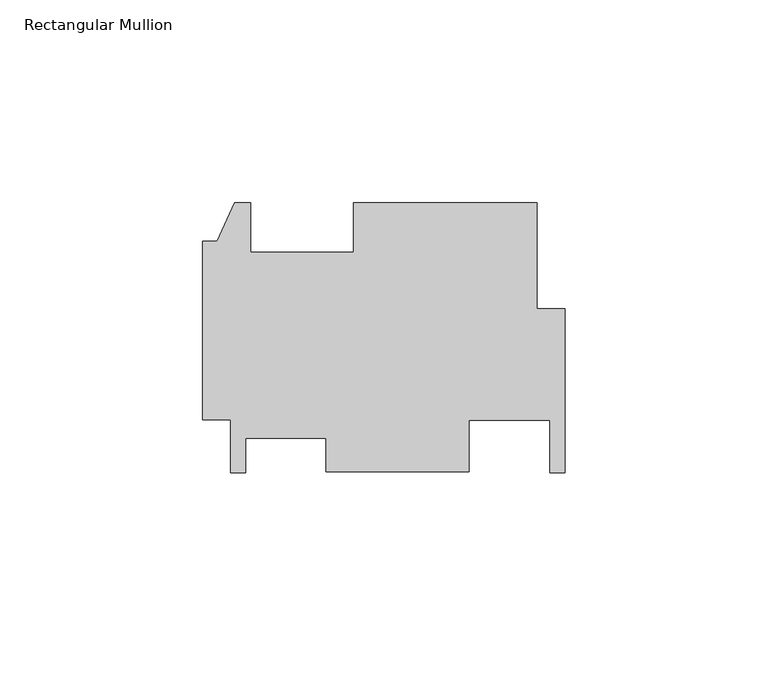
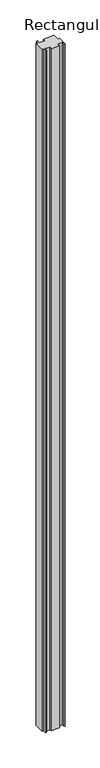
"""IFC4 building model written with IfcOpenShell, lengths in millimetres: member geometry, Rectangular Mullion."""

from ifc_helpers import new_model, si_unit, frame, origin, place, context, project, spatial, polyline, outline, extrude, source, transform, mapped, element, save


def rectangular_mullion_8650b792(model_context):
    return source(origin(), model_context, "Body", "SweptSolid", [
        extrude(outline(polyline([(-6.9088, 6.5115409), (0.0, 6.5115409), (0.0, -33.9760591), (-3.7338, -33.9760591), (-3.7338, -21.0250581), (-23.72995, -21.0250581), (-23.72995, -33.6303576), (-58.9788, -33.6303576), (-58.9788, -25.4380635), (-78.8162, -25.4380635), (-78.8162, -33.9760591), (-82.55, -33.9760591), (-82.55, -20.7862386), (-89.4588, -20.7862386), (-89.4588, 23.1811614), (-85.852, 23.1811614), (-81.534, 32.7061614), (-77.6224, 32.7061614), (-77.6224, 20.4887614), (-52.2224, 20.4887614), (-52.2224, 32.7061614), (-6.9088, 32.7061614), (-6.9088, 6.5115409)])), frame((0.0, 0.0, -3048.0), z_axis=(0.0, 0.0, 1.0), x_axis=(1.0, 0.0, 0.0)), (0.0, 0.0, 1.0), 3048.0),
    ])


if __name__ == "__main__":
    model = new_model("IFC4")
    model_context = context("Model", 3, world=origin())
    ifc_project = project(units=[si_unit("LENGTHUNIT", "METRE", prefix="MILLI")], contexts=[model_context])
    site = spatial("IfcSite", under=ifc_project)
    building = spatial("IfcBuilding", under=site)
    placement = place(None, origin())
    rectangular_mullion_shape = rectangular_mullion_8650b792(model_context)
    element("IfcMember", 1, ObjectType="Rectangular Mullion", at=placement, inside=building, context=model_context, shape_type="MappedRepresentation", body=[
        mapped(rectangular_mullion_shape, transform((0.0, 0.0, 0.0), x_axis=(1.0, 0.0, 0.0), y_axis=(0.0, 1.0, 0.0), z_axis=(0.0, 0.0, 1.0))),
    ])
    save(model, "model.ifc")
